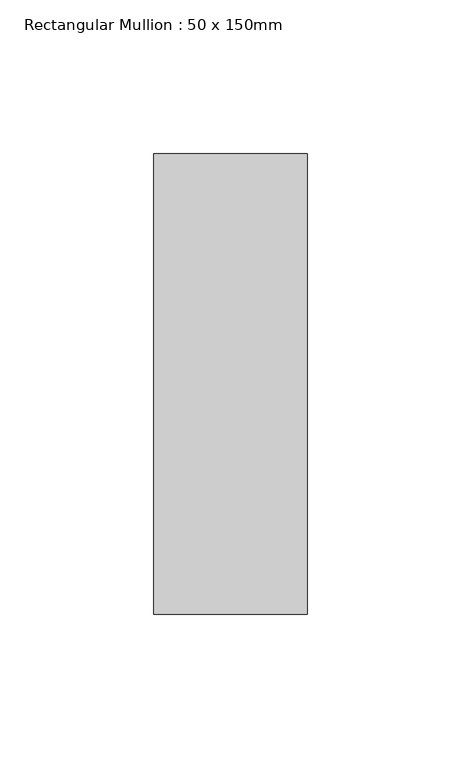
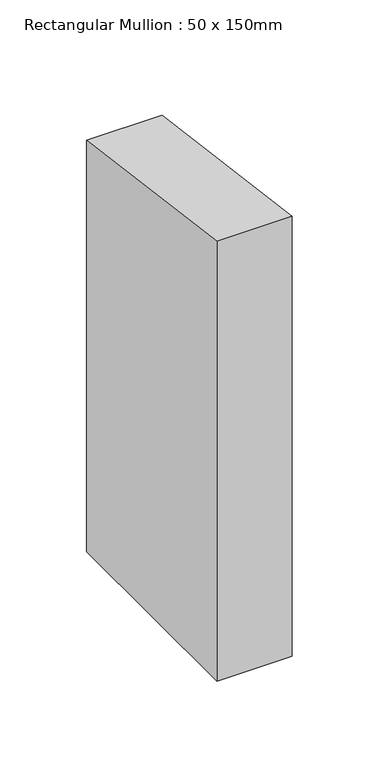
"""IFC4 building model written with IfcOpenShell, lengths in millimetres: member geometry, Rectangular Mullion : 50 x 150mm."""

from ifc_helpers import new_model, si_unit, frame, origin, place, context, project, spatial, polyline, outline, extrude, source, transform, mapped, element, save


def rectangular_mullion_50_x_150mm_2c453e2a(model_context):
    return source(origin(), model_context, "Body", "SweptSolid", [
        extrude(outline(polyline([(-75.0, 10.0113637), (75.0, -10.0113637), (75.0, -299.1542008), (-75.0, -299.1542008), (-75.0, 10.0113637)])), frame((-50.0, 0.0, 0.0), z_axis=(1.0, 0.0, 0.0), x_axis=(0.0, 1.0, 0.0)), (0.0, 0.0, 1.0), 50.0),
    ])


if __name__ == "__main__":
    model = new_model("IFC4")
    model_context = context("Model", 3, world=origin())
    ifc_project = project(units=[si_unit("LENGTHUNIT", "METRE", prefix="MILLI")], contexts=[model_context])
    site = spatial("IfcSite", under=ifc_project)
    building = spatial("IfcBuilding", under=site)
    placement = place(None, origin())
    rectangular_mullion_50_x_150mm_shape = rectangular_mullion_50_x_150mm_2c453e2a(model_context)
    element("IfcMember", 1, ObjectType="Rectangular Mullion : 50 x 150mm", at=placement, inside=building, context=model_context, shape_type="MappedRepresentation", body=[
        mapped(rectangular_mullion_50_x_150mm_shape, transform((0.0, 0.0, 0.0), x_axis=(1.0, 0.0, 0.0), y_axis=(0.0, 1.0, 0.0), z_axis=(0.0, 0.0, 1.0))),
    ])
    save(model, "model.ifc")
